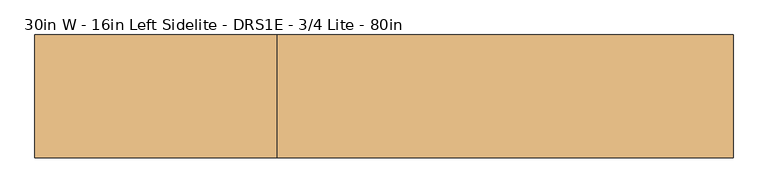
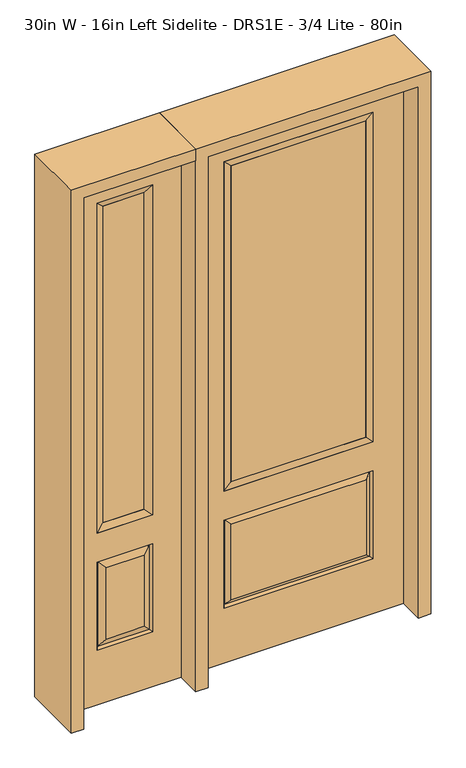
"""IFC4 building model written with IfcOpenShell, lengths in millimetres: door geometry, 30in W - 16in Left Sidelite - DRS1E - 3/4 Lite - 80in."""

from ifc_helpers import new_model, si_unit, frame, origin, place, context, project, spatial, polyline, outline, extrude, faceted_brep, source, transform, mapped, element, save


def door_30in_w_16in_left_sidelite_drs1e_3_4_lite_80in_2695993e(model_context):
    return source(origin(), model_context, "Body", "SolidModel", [
        faceted_brep([(-831.85, -22.225, 0.0), (-425.45, -22.225, 0.0), (-425.45, -22.225, 2032.0), (-831.85, -22.225, 2032.0), (-528.32, -22.225, 1919.224), (-528.32, -22.225, 657.098), (-728.98, -22.225, 657.098), (-728.98, -22.225, 1919.224), (-528.32, -22.225, 209.55), (-728.98, -22.225, 209.55), (-728.98, -22.225, 546.1), (-528.32, -22.225, 546.1), (-697.2648999, -22.225, 241.2651001), (-560.0351001, -22.225, 241.2651001), (-560.0351001, -22.225, 514.3848999), (-697.2648999, -22.225, 514.3848999), (-831.85, 22.225, 0.0), (-831.85, 22.225, 2032.0), (-425.45, 22.225, 2032.0), (-425.45, 22.225, 0.0), (-528.32, 22.225, 1919.224), (-728.98, 22.225, 1919.224), (-728.98, 22.225, 657.098), (-528.32, 22.225, 657.098), (-728.98, 22.225, 209.55), (-528.32, 22.225, 209.55), (-528.32, 22.225, 546.1), (-728.98, 22.225, 546.1), (-560.0351001, 22.225, 241.2651001), (-697.2648999, 22.225, 241.2651001), (-697.2648999, 22.225, 514.3848999), (-560.0351001, 22.225, 514.3848999), (-535.4288501, 12.7912373, 216.6588501), (-721.8711499, 12.7912373, 216.6588501), (-721.8711499, 12.7912373, 538.9911499), (-535.4288501, 12.7912373, 538.9911499), (-721.8711499, -12.7912373, 216.6588501), (-535.4288501, -12.7912373, 216.6588501), (-721.8711499, -12.7912373, 538.9911499), (-535.4288501, -12.7912373, 538.9911499)], [[[0, 1, 2, 3], [4, 5, 6, 7], [8, 9, 10, 11]], [[12, 13, 14, 15]], [[16, 17, 18, 19], [20, 21, 22, 23], [24, 25, 26, 27]], [[28, 29, 30, 31]], [[1, 0, 16, 19]], [[2, 1, 19, 18]], [[3, 2, 18, 17]], [[0, 3, 17, 16]], [[5, 4, 20, 23]], [[6, 5, 23, 22]], [[7, 6, 22, 21]], [[4, 7, 21, 20]], [[32, 33, 29, 28]], [[33, 32, 25, 24]], [[29, 33, 34, 30]], [[33, 24, 27, 34]], [[30, 34, 35, 31]], [[34, 27, 26, 35]], [[32, 28, 31, 35]], [[25, 32, 35, 26]], [[12, 36, 37, 13]], [[37, 36, 9, 8]], [[36, 12, 15, 38]], [[9, 36, 38, 10]], [[38, 15, 14, 39]], [[10, 38, 39, 11]], [[13, 37, 39, 14]], [[37, 8, 11, 39]]]),
        faceted_brep([(-728.98, 22.225, 1919.224), (-728.98, -22.225, 1919.224), (-528.32, -22.225, 1919.224), (-528.32, 22.225, 1919.224), (-703.58, 12.7, 1893.824), (-553.72, 12.7, 1893.824), (-703.58, -12.7, 1893.824), (-553.72, -12.7, 1893.824), (-528.32, -22.225, 657.098), (-528.32, 22.225, 657.098), (-553.72, 12.7, 682.498), (-553.72, -12.7, 682.498), (-728.98, -22.225, 657.098), (-728.98, 22.225, 657.098), (-703.58, 12.7, 682.498), (-703.58, -12.7, 682.498)], [[[0, 1, 2, 3]], [[4, 0, 3, 5]], [[6, 4, 5, 7]], [[1, 6, 7, 2]], [[3, 2, 8, 9]], [[5, 3, 9, 10]], [[7, 5, 10, 11]], [[2, 7, 11, 8]], [[9, 8, 12, 13]], [[10, 9, 13, 14]], [[11, 10, 14, 15]], [[8, 11, 15, 12]], [[13, 12, 1, 0]], [[14, 13, 0, 4]], [[15, 14, 4, 6]], [[12, 15, 6, 1]]]),
        extrude(outline(polyline([(-553.72, -12.7), (-703.58, -12.7), (-703.58, 12.7), (-553.72, 12.7), (-553.72, -12.7)])), frame((0.0, 0.0, 682.498), z_axis=(0.0, 0.0, 1.0), x_axis=(1.0, 0.0, 0.0)), (0.0, 0.0, 1.0), 1211.326),
        faceted_brep([(-262.7661499, -12.7912373, 216.6588501), (262.7661499, -12.7912373, 216.6588501), (245.26875, -22.225, 234.15625), (-245.26875, -22.225, 234.15625), (-269.875, -22.225, 209.55), (269.875, -22.225, 209.55), (-262.7661499, -12.7912373, 538.9911499), (-269.875, -22.225, 546.1), (245.26875, -22.225, 521.49375), (-245.26875, -22.225, 521.49375), (381.0, -22.225, 2032.0), (-381.0, -22.225, 2032.0), (-381.0, -22.225, 0.0), (381.0, -22.225, 0.0), (269.875, -22.225, 546.1), (269.875, -22.225, 1917.7), (269.875, -22.225, 657.098), (-269.875, -22.225, 657.098), (-269.875, -22.225, 1917.7), (262.7661499, -12.7912373, 538.9911499), (-381.0, 22.225, 2032.0), (-381.0, 22.225, 0.0), (381.0, 22.225, 0.0), (381.0, 22.225, 2032.0), (269.875, 22.225, 1917.7), (269.875, 22.225, 657.098), (-269.875, 22.225, 657.098), (-269.875, 22.225, 1917.7), (-269.875, 22.225, 209.55), (269.875, 22.225, 209.55), (269.875, 22.225, 546.1), (-269.875, 22.225, 546.1), (245.26875, 22.225, 234.15625), (-245.26875, 22.225, 234.15625), (-245.26875, 22.225, 521.49375), (245.26875, 22.225, 521.49375), (-262.7661499, 12.7912373, 216.6588501), (262.7661499, 12.7912373, 216.6588501), (262.7661499, 12.7912373, 538.9911499), (-262.7661499, 12.7912373, 538.9911499)], [[[0, 1, 2, 3]], [[1, 0, 4, 5]], [[4, 0, 6, 7]], [[3, 2, 8, 9]], [[10, 11, 12, 13], [5, 4, 7, 14], [15, 16, 17, 18]], [[1, 5, 14, 19]], [[2, 1, 19, 8]], [[0, 3, 9, 6]], [[7, 6, 19, 14]], [[6, 9, 8, 19]], [[12, 11, 20, 21]], [[13, 12, 21, 22]], [[10, 13, 22, 23]], [[16, 15, 24, 25]], [[17, 16, 25, 26]], [[18, 17, 26, 27]], [[23, 22, 21, 20], [28, 29, 30, 31], [24, 27, 26, 25]], [[32, 33, 34, 35]], [[28, 36, 37, 29]], [[29, 37, 38, 30]], [[39, 31, 30, 38]], [[36, 28, 31, 39]], [[37, 36, 33, 32]], [[33, 36, 39, 34]], [[34, 39, 38, 35]], [[37, 32, 35, 38]], [[11, 10, 23, 20]], [[15, 18, 27, 24]]]),
        faceted_brep([(-269.875, -22.225, 1917.7), (-269.875, 22.225, 1917.7), (-269.875, 22.225, 657.098), (-269.875, -22.225, 657.098), (269.875, 22.225, 657.098), (269.875, -22.225, 657.098), (-244.475, 5.08, 682.498), (244.475, 5.08, 682.498), (269.875, 22.225, 1917.7), (269.875, -22.225, 1917.7), (-244.475, -20.32, 682.498), (244.475, -20.32, 682.498), (-244.475, -20.32, 1892.3), (244.475, -20.32, 1892.3), (-244.475, 5.08, 1892.3), (244.475, 5.08, 1892.3)], [[[0, 1, 2, 3]], [[3, 2, 4, 5]], [[2, 6, 7, 4]], [[5, 4, 8, 9]], [[10, 3, 5, 11]], [[12, 0, 3, 10]], [[11, 5, 9, 13]], [[6, 10, 11, 7]], [[14, 12, 10, 6]], [[7, 11, 13, 15]], [[1, 14, 6, 2]], [[4, 7, 15, 8]], [[9, 8, 1, 0]], [[13, 9, 0, 12]], [[15, 13, 12, 14]], [[8, 15, 14, 1]]]),
        extrude(outline(polyline([(244.475, -20.32), (-244.475, -20.32), (-244.475, 5.08), (244.475, 5.08), (244.475, -20.32)])), frame((0.0, 0.0, 682.498), z_axis=(0.0, 0.0, 1.0), x_axis=(1.0, 0.0, 0.0)), (0.0, 0.0, 1.0), 1209.802),
        extrude(outline(polyline([(2032.0, -425.45), (2076.45, -425.45), (2076.45, -876.3), (0.0, -876.3), (0.0, -831.85), (2032.0, -831.85), (2032.0, -425.45)])), frame((0.0, -114.3, 0.0), z_axis=(0.0, 1.0, 0.0), x_axis=(0.0, 0.0, 1.0)), (0.0, 0.0, 1.0), 228.6),
        extrude(outline(polyline([(2076.45, -425.45), (0.0, -425.45), (0.0, -381.0), (2032.0, -381.0), (2032.0, 381.0), (0.0, 381.0), (0.0, 425.45), (2076.45, 425.45), (2076.45, -425.45)])), frame((0.0, -114.3, 0.0), z_axis=(0.0, 1.0, 0.0), x_axis=(0.0, 0.0, 1.0)), (0.0, 0.0, 1.0), 228.6),
    ])


if __name__ == "__main__":
    model = new_model("IFC4")
    model_context = context("Model", 3, world=origin())
    ifc_project = project(units=[si_unit("LENGTHUNIT", "METRE", prefix="MILLI")], contexts=[model_context])
    site = spatial("IfcSite", under=ifc_project)
    building = spatial("IfcBuilding", under=site)
    placement = place(None, origin())
    door_30in_w_16in_left_sidelite_drs1e_3_4_lite_80in_shape = door_30in_w_16in_left_sidelite_drs1e_3_4_lite_80in_2695993e(model_context)
    element("IfcDoor", 1, ObjectType="30in W - 16in Left Sidelite - DRS1E - 3/4 Lite - 80in", at=placement, inside=building, context=model_context, shape_type="MappedRepresentation", body=[
        mapped(door_30in_w_16in_left_sidelite_drs1e_3_4_lite_80in_shape, transform((0.0, 0.0, 0.0), x_axis=(1.0, 0.0, 0.0), y_axis=(0.0, 1.0, 0.0), z_axis=(0.0, 0.0, 1.0))),
    ])
    save(model, "model.ifc")
